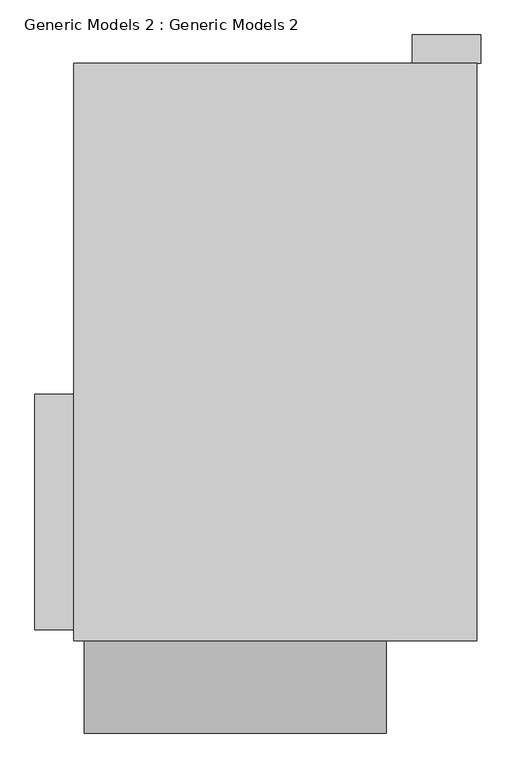
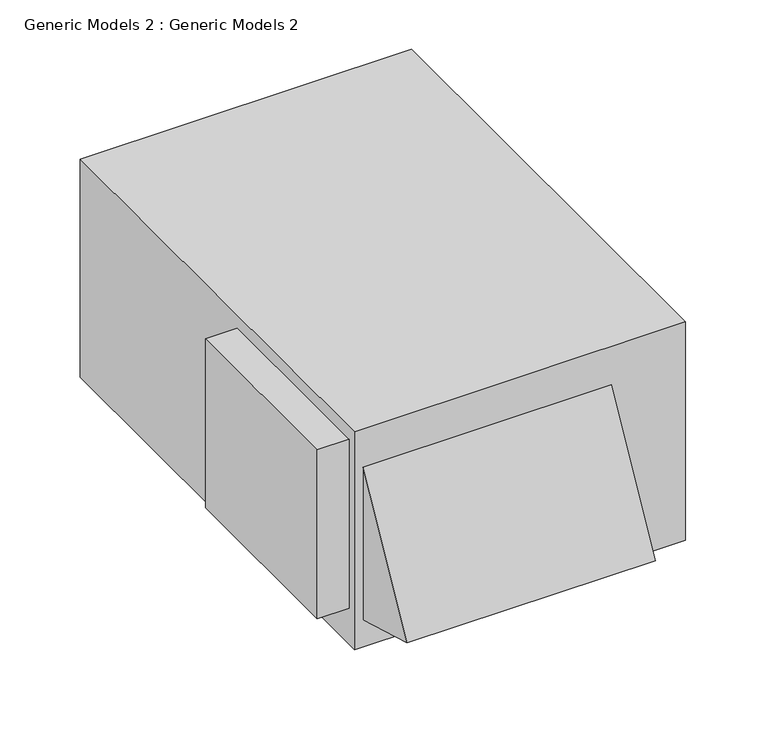
"""IFC4 building model written with IfcOpenShell, lengths in millimetres: proxy geometry, Generic Models 2 : Generic Models 2."""

from ifc_helpers import new_model, si_unit, frame, origin, place, context, project, spatial, polyline, outline, extrude, source, transform, mapped, element, save


def generic_models_2_generic_models_2_45c3279b(model_context):
    return source(origin(), model_context, "Body", "SweptSolid", [
        extrude(outline(polyline([(-20610.5087528, 28020.5886058), (-20819.076173, 28020.5886058), (-20819.076173, 29286.0101291), (-20610.5087528, 29286.0101291), (-20610.5087528, 28020.5886058)])), frame((0.0, 0.0, -2226.253518), z_axis=(0.0, 0.0, 1.0), x_axis=(1.0, 0.0, 0.0)), (0.0, 0.0, 1.0), 1168.4),
        extrude(outline(polyline([(-18422.559282, 31218.3006471), (-18422.559282, 31065.9006471), (-18789.4729218, 31065.9006471), (-18789.4729218, 31218.3006471), (-18422.559282, 31218.3006471)])), frame((0.0, 0.0, -1906.6985184), z_axis=(0.0, 0.0, 1.0), x_axis=(1.0, 0.0, 0.0)), (0.0, 0.0, 1.0), 508.0),
        extrude(outline(polyline([(27464.636711, -2147.2161492), (27960.7506471, -1233.873346), (27960.7506471, -2289.4745312), (27464.636711, -2147.2161492)])), frame((-20552.6885977, 0.0, 0.0), z_axis=(1.0, 0.0, 0.0), x_axis=(0.0, 1.0, 0.0)), (0.0, 0.0, 1.0), 1623.0993179),
        extrude(outline(polyline([(-18444.176173, 31065.9006471), (-18444.176173, 27960.7506471), (-20610.5087528, 27960.7506471), (-20610.5087528, 31065.9006471), (-18444.176173, 31065.9006471)])), frame((0.0, 0.0, -2476.5), z_axis=(0.0, 0.0, 1.0), x_axis=(1.0, 0.0, 0.0)), (0.0, 0.0, 1.0), 1508.2788365),
    ])


if __name__ == "__main__":
    model = new_model("IFC4")
    model_context = context("Model", 3, world=origin())
    ifc_project = project(units=[si_unit("LENGTHUNIT", "METRE", prefix="MILLI")], contexts=[model_context])
    site = spatial("IfcSite", under=ifc_project)
    building = spatial("IfcBuilding", under=site)
    placement = place(None, origin())
    generic_models_2_generic_models_2_shape = generic_models_2_generic_models_2_45c3279b(model_context)
    element("IfcBuildingElementProxy", 1, Name="Generic Models 2 : Generic Models 2", ObjectType="Generic Models 2 : Generic Models 2", at=placement, inside=building, context=model_context, shape_type="MappedRepresentation", body=[
        mapped(generic_models_2_generic_models_2_shape, transform((0.0, 0.0, 0.0), x_axis=(1.0, 0.0, 0.0), y_axis=(0.0, 1.0, 0.0), z_axis=(0.0, 0.0, 1.0))),
    ])
    save(model, "model.ifc")
